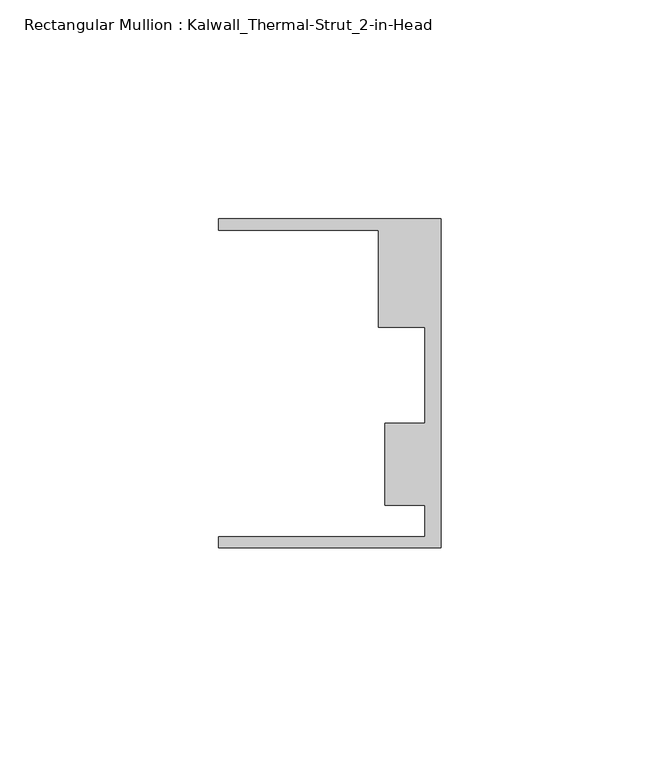
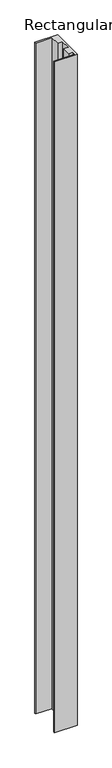
"""IFC4 building model written with IfcOpenShell, lengths in millimetres: member geometry, Rectangular Mullion : Kalwall_Thermal-Strut_2-in-Head."""

from ifc_helpers import new_model, si_unit, frame, origin, place, context, project, spatial, polyline, outline, extrude, source, transform, mapped, element, save


def rectangular_mullion_kalwall_thermal_strut_2_in_head_2b9dcc8a(model_context):
    return source(origin(), model_context, "Body", "SweptSolid", [
        extrude(outline(polyline([(0.0, -37.5776386), (-50.8, -37.5776386), (-50.8, -35.0376386), (-3.7084, -35.0376386), (-3.7084, -27.8888568), (-12.8272539, -27.8888568), (-12.8272539, -9.1879886), (-3.7084, -9.1879886), (-3.7084, 12.7373614), (-14.2875, 12.7373614), (-14.2875, 34.9623614), (-50.8, 34.9623614), (-50.8, 37.5023614), (0.0, 37.5023614), (0.0, -37.5776386)])), frame((0.0, 0.0, -1585.0068), z_axis=(0.0, 0.0, 1.0), x_axis=(1.0, 0.0, 0.0)), (0.0, 0.0, 1.0), 1585.0068),
    ])


if __name__ == "__main__":
    model = new_model("IFC4")
    model_context = context("Model", 3, world=origin())
    ifc_project = project(units=[si_unit("LENGTHUNIT", "METRE", prefix="MILLI")], contexts=[model_context])
    site = spatial("IfcSite", under=ifc_project)
    building = spatial("IfcBuilding", under=site)
    placement = place(None, origin())
    rectangular_mullion_kalwall_thermal_strut_2_in_head_shape = rectangular_mullion_kalwall_thermal_strut_2_in_head_2b9dcc8a(model_context)
    element("IfcMember", 1, ObjectType="Rectangular Mullion : Kalwall_Thermal-Strut_2-in-Head", at=placement, inside=building, context=model_context, shape_type="MappedRepresentation", body=[
        mapped(rectangular_mullion_kalwall_thermal_strut_2_in_head_shape, transform((0.0, 0.0, 0.0), x_axis=(1.0, 0.0, 0.0), y_axis=(0.0, 1.0, 0.0), z_axis=(0.0, 0.0, 1.0))),
    ])
    save(model, "model.ifc")
